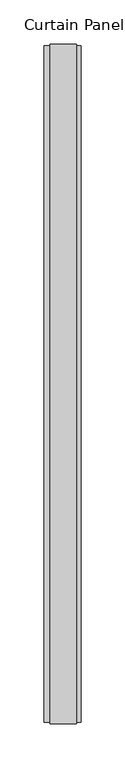
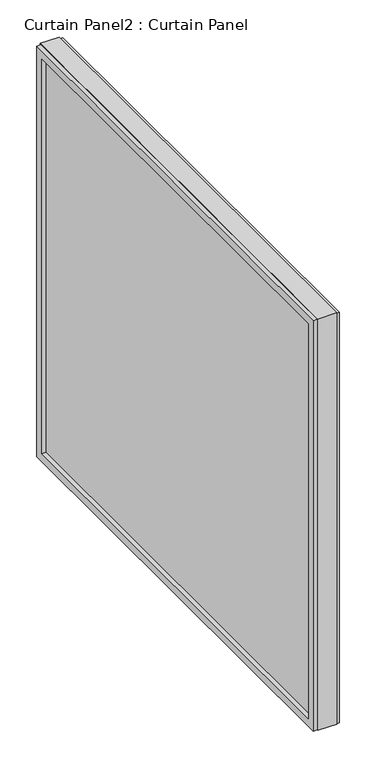
"""IFC4 building model written with IfcOpenShell, lengths in millimetres: plate geometry, Curtain Panel2 : Curtain Panel."""

from ifc_helpers import new_model, si_unit, frame, origin, place, context, project, spatial, polyline, outline, extrude, source, transform, mapped, element, save


def curtain_panel2_curtain_panel_c1d1994b(model_context):
    return source(origin(), model_context, "Body", "SweptSolid", [
        extrude(outline(polyline([(-20259.087674, -82.9805969), (-21024.2054703, -82.9805969), (-21024.2054703, 610.5348699), (-20259.087674, 610.5348699), (-20259.087674, -82.9805969)]), holes=[polyline([(-20272.5415193, 597.0810246), (-21010.7516251, 597.0810246), (-21010.7516251, -69.5267517), (-20272.5415193, -69.5267517), (-20272.5415193, 597.0810246)])]), frame((12023.0903612, 0.0, 0.0), z_axis=(1.0, 0.0, 0.0), x_axis=(0.0, 1.0, 0.0)), (0.0, 0.0, 1.0), 6.7737458),
        extrude(outline(polyline([(-20259.087674, -82.9805969), (-21024.2054703, -82.9805969), (-21024.2054703, 610.5348699), (-20259.087674, 610.5348699), (-20259.087674, -82.9805969)]), holes=[polyline([(-20273.3820022, 596.2405417), (-21009.9111422, 596.2405417), (-21009.9111422, -68.6862688), (-20273.3820022, -68.6862688), (-20273.3820022, 596.2405417)])]), frame((12059.7409534, 0.0, 0.0), z_axis=(1.0, 0.0, 0.0), x_axis=(0.0, 1.0, 0.0)), (0.0, 0.0, 1.0), 4.9800078),
        extrude(outline(polyline([(12029.864107, -21025.7929703), (12029.864107, -20257.500174), (12059.7409534, -20257.500174), (12059.7409534, -21025.7929703), (12029.864107, -21025.7929703)])), frame((0.0, 0.0, -82.9805969), z_axis=(0.0, 0.0, 1.0), x_axis=(1.0, 0.0, 0.0)), (0.0, 0.0, 1.0), 695.1029668),
    ])


if __name__ == "__main__":
    model = new_model("IFC4")
    model_context = context("Model", 3, world=origin())
    ifc_project = project(units=[si_unit("LENGTHUNIT", "METRE", prefix="MILLI")], contexts=[model_context])
    site = spatial("IfcSite", under=ifc_project)
    building = spatial("IfcBuilding", under=site)
    placement = place(None, origin())
    curtain_panel2_curtain_panel_shape = curtain_panel2_curtain_panel_c1d1994b(model_context)
    element("IfcPlate", 1, ObjectType="Curtain Panel2 : Curtain Panel", at=placement, inside=building, context=model_context, shape_type="MappedRepresentation", body=[
        mapped(curtain_panel2_curtain_panel_shape, transform((0.0, 0.0, 0.0), x_axis=(1.0, 0.0, 0.0), y_axis=(0.0, 1.0, 0.0), z_axis=(0.0, 0.0, 1.0))),
    ])
    save(model, "model.ifc")
